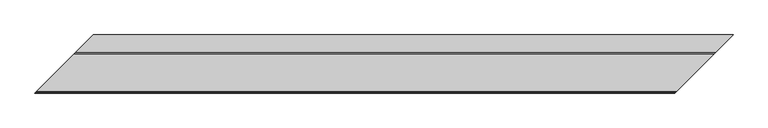
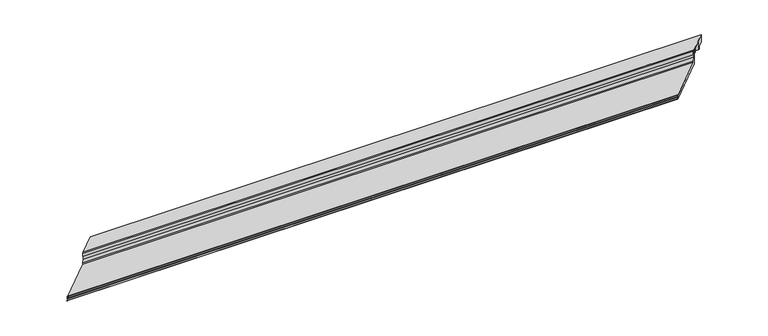
"""IFC4 building model written with IfcOpenShell, lengths in millimetres: proxy geometry."""

from ifc_helpers import new_model, si_unit, frame, origin, place, context, project, spatial, polyline, ellipse_curve, faceted_brep, source, transform, mapped, element, save
from ifc_brep_helpers import plane_surface, cylinder_surface, revolved_surface, advanced_brep


def specialty_equipment_658a134a(model_context):
    return source(origin(), model_context, "Body", "SolidModel", [
        faceted_brep([(165.632524, 165.632524, 63.5), (235.482524, 235.482524, 63.5), (235.482524, 235.482524, 31.75), (215.241899, 215.241899, 31.75), (215.241899, 215.241899, 19.05), (212.9598677, 212.9598677, 19.05), (212.9598677, 212.9598677, 61.1898306), (175.284524, 175.284524, 61.1898306), (175.284524, 175.284524, 44.45), (165.632524, 165.632524, 44.45), (2826.2642783, 235.482524, 63.5), (2756.4142783, 165.632524, 63.5), (2756.4142783, 165.632524, 44.45), (2766.0662783, 175.284524, 44.45), (2766.0662783, 175.284524, 61.1898306), (2803.741622, 212.9598677, 61.1898306), (2803.741622, 212.9598677, 19.05), (2806.0236533, 215.241899, 19.05), (2806.0236533, 215.241899, 31.75), (2826.2642783, 235.482524, 31.75)], [[[0, 1, 2, 3, 4, 5, 6, 7, 8, 9]], [[10, 11, 12, 13, 14, 15, 16, 17, 18, 19]], [[10, 1, 0, 11]], [[11, 0, 9, 12]], [[12, 9, 8, 13]], [[13, 8, 7, 14]], [[14, 7, 6, 15]], [[15, 6, 5, 16]], [[16, 5, 4, 17]], [[17, 4, 3, 18]], [[18, 3, 2, 19]], [[1, 10, 19, 2]]]),
        advanced_brep(
        [(165.632524, 165.632524, 0.0), (0.0, 0.0, 0.0), (0.0, 0.0, 1.651), (8.368424, 8.368424, 1.7970714), (8.368424, 8.368424, 9.7466904), (7.805541, 7.805541, 10.3095735), (1.0402986, 1.0402986, 10.3095735), (0.5832573, 0.5832573, 11.0269846), (2.843924, 2.843924, 15.875), (5.206124, 5.206124, 15.875), (5.206124, 5.206124, 12.7), (159.282524, 159.282524, 12.7), (159.282524, 159.282524, 19.05), (163.346524, 163.346524, 31.75), (163.346524, 163.346524, 46.0298451), (158.495124, 158.495124, 48.3942822), (158.495124, 158.495124, 63.5), (165.632524, 165.632524, 63.5), (2590.7817543, 0.0, 0.0), (2756.4142783, 165.632524, 0.0), (2756.4142783, 165.632524, 63.5), (2749.2768783, 158.495124, 63.5), (2749.2768783, 158.495124, 48.3942822), (2754.1282783, 163.346524, 46.0298451), (2754.1282783, 163.346524, 31.75), (2750.0642783, 159.282524, 19.05), (2750.0642783, 159.282524, 12.7), (2595.9878783, 5.206124, 12.7), (2595.9878783, 5.206124, 15.875), (2593.6256783, 2.843924, 15.875), (2591.3650116, 0.5832573, 11.0269846), (2591.8220529, 1.0402986, 10.3095735), (2598.5872953, 7.805541, 10.3095735), (2599.1501783, 8.368424, 9.7466904), (2599.1501783, 8.368424, 1.7970714), (2590.7817543, 0.0, 1.651)],
        [
            (0, 1),
            (1, 2),
            (2, 3),
            (3, 4),
            (4, 5, ellipse_curve(frame((7.805541, 7.805541, 9.7466904), z_axis=(0.7071067811865485, -0.7071067811865466, 0.0), x_axis=(0.7071067811865466, 0.7071067811865485, 0.0)), 0.7960368, 0.562883)),
            (5, 6),
            (6, 7, ellipse_curve(frame((1.0402986, 1.0402986, 10.8138628), z_axis=(-0.7071067811865485, 0.7071067811865466, 0.0), x_axis=(-0.7071067811865466, -0.7071067811865485, 0.0)), 0.7131728, 0.5042893)),
            (7, 8),
            (8, 9),
            (9, 10),
            (10, 11),
            (11, 12),
            (12, 13),
            (13, 14),
            (14, 15),
            (15, 16),
            (16, 17),
            (17, 0),
            (18, 19),
            (19, 20),
            (20, 21),
            (21, 22),
            (22, 23),
            (23, 24),
            (24, 25),
            (25, 26),
            (26, 27),
            (27, 28),
            (28, 29),
            (29, 30),
            (30, 31, ellipse_curve(frame((2591.8220529, 1.0402986, 10.8138628), z_axis=(0.7071067811865469, -0.7071067811865482, 0.0), x_axis=(-0.707106781186548, -0.7071067811865469, 0.0)), 0.7131728, 0.5042893)),
            (31, 32),
            (32, 33, ellipse_curve(frame((2598.5872953, 7.805541, 9.7466904), z_axis=(-0.7071067811865469, 0.7071067811865482, 0.0), x_axis=(0.707106781186548, 0.7071067811865469, 0.0)), 0.7960368, 0.562883)),
            (33, 34),
            (34, 35),
            (35, 18),
            (0, 19),
            (18, 1),
            (35, 2),
            (34, 3),
            (33, 4),
            (32, 5),
            (31, 6),
            (30, 7),
            (29, 8),
            (28, 9),
            (27, 10),
            (26, 11),
            (25, 12),
            (24, 13),
            (23, 14),
            (22, 15),
            (21, 16),
            (20, 17),
        ],
        [
            plane_surface(frame((0.0, 0.0, 304.8), z_axis=(-0.7071067811865485, 0.7071067811865466, 0.0), x_axis=(0.0, 0.0, -1.0))),
            plane_surface(frame((3098.7817543, 508.0, 304.8), z_axis=(0.7071067811865469, -0.7071067811865482, 0.0), x_axis=(0.0, 0.0, -1.0))),
            plane_surface(frame((-406.4, 165.632524, 0.0), z_axis=(0.0, 0.0, -1.0), x_axis=(1.0, 0.0, 0.0))),
            plane_surface(frame((-406.4, 0.0, 0.0), z_axis=(0.0, -1.0, 0.0), x_axis=(1.0, 0.0, 0.0))),
            plane_surface(frame((-406.4, 0.0, 1.651), z_axis=(0.0, -0.01745240643728535, 0.9998476951563913), x_axis=(1.0, 0.0, 0.0))),
            plane_surface(frame((-406.4, 8.368424, 1.7970714), z_axis=(0.0, -1.0, 0.0), x_axis=(1.0, 0.0, 0.0))),
            revolved_surface(polyline([(2599.150178319354, 8.368424, 9.7466904), (7.242657980645959, 8.368424, 9.7466904)]), (-406.4, 7.805541, 9.7466904), (1.0, 0.0, 0.0)),
            plane_surface(frame((-406.4, 7.805541, 10.3095735), z_axis=(0.0, 0.0, -1.0), x_axis=(1.0, 0.0, 0.0))),
            cylinder_surface(frame((-406.4, 1.0402986, 10.8138628), z_axis=(-1.0, 0.0, 0.0), x_axis=(0.0, 1.0, 0.0)), 0.5042893),
            plane_surface(frame((-406.4, 0.5832573, 11.0269846), z_axis=(0.0, -0.9063077870366325, 0.4226182617407369), x_axis=(1.0, 0.0, 0.0))),
            plane_surface(frame((-406.4, 2.843924, 15.875), z_axis=(0.0, 0.0, 1.0), x_axis=(1.0, 0.0, 0.0))),
            plane_surface(frame((-406.4, 5.206124, 15.875), z_axis=(0.0, 1.0, 0.0), x_axis=(1.0, 0.0, 0.0))),
            plane_surface(frame((-406.4, 5.206124, 12.7), z_axis=(0.0, 0.0, 1.0), x_axis=(1.0, 0.0, 0.0))),
            plane_surface(frame((-406.4, 159.282524, 12.7), z_axis=(0.0, -1.0, 0.0), x_axis=(1.0, 0.0, 0.0))),
            plane_surface(frame((-406.4, 159.282524, 19.05), z_axis=(0.0, -0.9524241471993259, 0.3047757271037786), x_axis=(1.0, 0.0, 0.0))),
            plane_surface(frame((-406.4, 163.346524, 31.75), z_axis=(0.0, -1.0, 0.0), x_axis=(1.0, 0.0, 0.0))),
            plane_surface(frame((-406.4, 163.346524, 46.0298451), z_axis=(0.0, -0.4381093610951833, -0.8989216805266022), x_axis=(1.0, 0.0, 0.0))),
            plane_surface(frame((-406.4, 158.495124, 48.3942822), z_axis=(0.0, -1.0, 0.0), x_axis=(1.0, 0.0, 0.0))),
            plane_surface(frame((-406.4, 158.495124, 63.5), z_axis=(0.0, 0.0, 1.0), x_axis=(1.0, 0.0, 0.0))),
            plane_surface(frame((-406.4, 165.632524, 63.5), z_axis=(0.0, 1.0, 0.0), x_axis=(1.0, 0.0, 0.0))),
        ],
        [
            (0, [[1, 2, 3, 4, 5, 6, 7, 8, 9, 10, 11, 12, 13, 14, 15, 16, 17, 18]]),
            (1, [[19, 20, 21, 22, 23, 24, 25, 26, 27, 28, 29, 30, 31, 32, 33, 34, 35, 36]]),
            (2, [[37, -19, 38, -1]]),
            (3, [[-38, -36, 39, -2]]),
            (4, [[-39, -35, 40, -3]]),
            (5, [[-40, -34, 41, -4]]),
            (6, [[-41, -33, 42, -5]]),
            (7, [[-42, -32, 43, -6]]),
            (8, [[-43, -31, 44, -7]]),
            (9, [[-44, -30, 45, -8]]),
            (10, [[-45, -29, 46, -9]]),
            (11, [[-46, -28, 47, -10]]),
            (12, [[-47, -27, 48, -11]]),
            (13, [[-48, -26, 49, -12]]),
            (14, [[-49, -25, 50, -13]]),
            (15, [[-50, -24, 51, -14]]),
            (16, [[-51, -23, 52, -15]]),
            (17, [[-52, -22, 53, -16]]),
            (18, [[-53, -21, 54, -17]]),
            (19, [[-37, -18, -54, -20]]),
        ],
    ),
    ])


if __name__ == "__main__":
    model = new_model("IFC4")
    model_context = context("Model", 3, world=origin())
    ifc_project = project(units=[si_unit("LENGTHUNIT", "METRE", prefix="MILLI")], contexts=[model_context])
    site = spatial("IfcSite", under=ifc_project)
    building = spatial("IfcBuilding", under=site)
    placement = place(None, origin())
    specialty_equipment_shape = specialty_equipment_658a134a(model_context)
    element("IfcBuildingElementProxy", 1, Name="Specialty Equipment", at=placement, inside=building, context=model_context, shape_type="MappedRepresentation", body=[
        mapped(specialty_equipment_shape, transform((0.0, 0.0, 0.0), x_axis=(1.0, 0.0, 0.0), y_axis=(0.0, 1.0, 0.0), z_axis=(0.0, 0.0, 1.0))),
    ])
    save(model, "model.ifc")
